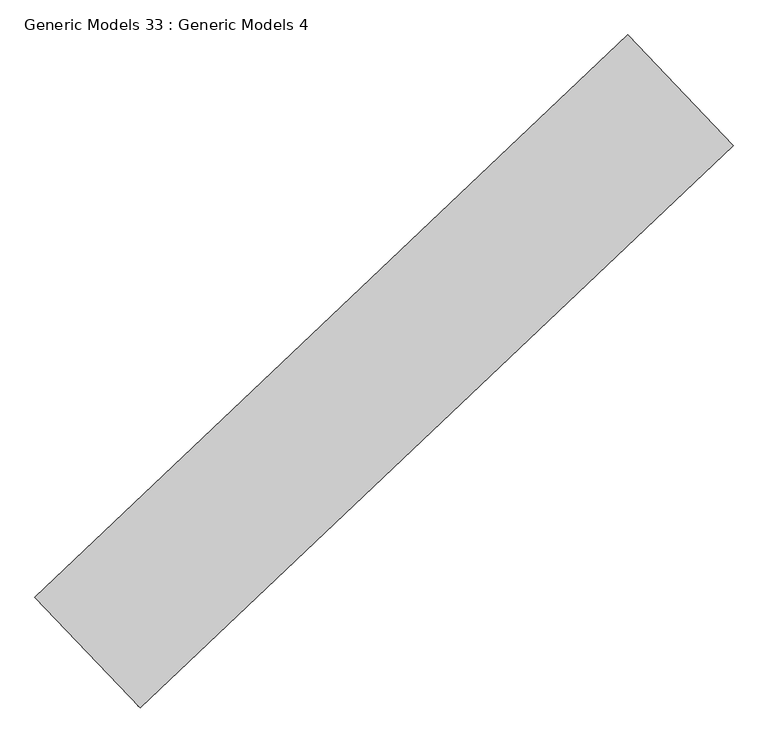
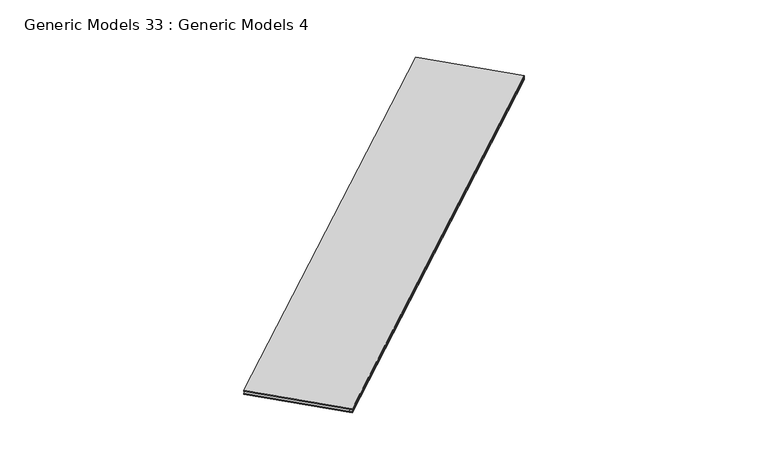
"""IFC4 building model written with IfcOpenShell, lengths in millimetres: proxy geometry, Generic Models 33 : Generic Models 4."""

from ifc_helpers import new_model, si_unit, frame, origin, place, context, project, spatial, polyline, outline, extrude, source, transform, mapped, element, save


def generic_models_33_generic_models_4_58279e44(model_context):
    return source(origin(), model_context, "Body", "SweptSolid", [
        extrude(outline(polyline([(107839.1066763, 48788.8094693), (107419.485727, 49230.9976859), (109784.7320729, 51475.5326597), (110204.3530222, 51033.3444431), (107839.1066763, 48788.8094693)])), frame((0.0, 0.0, 18709.5494812), z_axis=(0.0, 0.0, 1.0), x_axis=(1.0, 0.0, 0.0)), (0.0, 0.0, 1.0), 6.35),
        extrude(outline(polyline([(107839.1066763, 48788.8094693), (107419.485727, 49230.9976859), (109784.7320729, 51475.5326597), (110204.3530222, 51033.3444431), (107839.1066763, 48788.8094693)])), frame((0.0, 0.0, 18690.4994812), z_axis=(0.0, 0.0, 1.0), x_axis=(1.0, 0.0, 0.0)), (0.0, 0.0, 1.0), 6.35),
        extrude(outline(polyline([(107839.1066763, 48788.8094693), (107830.3645732, 48798.0217238), (110195.6109191, 51042.5566976), (110204.3530222, 51033.3444431), (107839.1066763, 48788.8094693)])), frame((0.0, 0.0, 18697.2463562), z_axis=(0.0, 0.0, 1.0), x_axis=(1.0, 0.0, 0.0)), (0.0, 0.0, 1.0), 11.90625),
    ])


if __name__ == "__main__":
    model = new_model("IFC4")
    model_context = context("Model", 3, world=origin())
    ifc_project = project(units=[si_unit("LENGTHUNIT", "METRE", prefix="MILLI")], contexts=[model_context])
    site = spatial("IfcSite", under=ifc_project)
    building = spatial("IfcBuilding", under=site)
    placement = place(None, origin())
    generic_models_33_generic_models_4_shape = generic_models_33_generic_models_4_58279e44(model_context)
    element("IfcBuildingElementProxy", 1, Name="Generic Models 33 : Generic Models 4", ObjectType="Generic Models 33 : Generic Models 4", at=placement, inside=building, context=model_context, shape_type="MappedRepresentation", body=[
        mapped(generic_models_33_generic_models_4_shape, transform((0.0, 0.0, 0.0), x_axis=(1.0, 0.0, 0.0), y_axis=(0.0, 1.0, 0.0), z_axis=(0.0, 0.0, 1.0))),
    ])
    save(model, "model.ifc")
